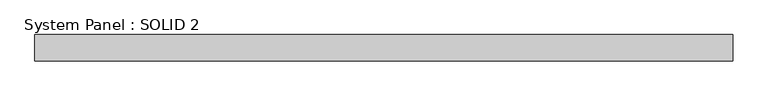
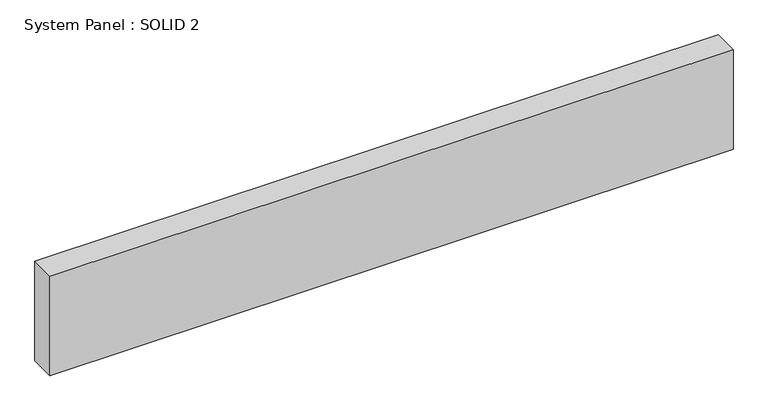
"""IFC4 building model written with IfcOpenShell, lengths in millimetres: plate geometry, System Panel : SOLID 2."""

import ifcopenshell
import ifcopenshell.guid

model = None  # the IFC model being written
_history = None  # IfcOwnerHistory: only IFC2X3 demands one
_inside = {}  # id of a spatial element -> (the spatial element, [elements in it])
_under = {}  # id of a project, library or spatial element -> (it, [spatial elements below it])
_declared = {}  # id of a project -> (the project, [libraries it declares])
_typed = {}  # id of a type object -> (the type object, [elements of that type])
_made_of = {}  # id of a material, layer set ... -> (it, [elements and type objects made of it])


def new_model(schema):
    """Start an empty IFC model of exactly this schema.

    Asked for "IFC4X3", IfcOpenShell would pick the latest addendum, in which some entities
    have other attributes; the version numbers below select the first issue.
    IFC2X3 requires an IfcOwnerHistory on every rooted entity: one is made here for all.
    """
    global model, _history
    if schema == "IFC4X3":
        model = ifcopenshell.file(schema_version=(4, 3, 0, 0))
    else:
        model = ifcopenshell.file(schema=schema)
    _inside.clear()
    _under.clear()
    _declared.clear()
    _typed.clear()
    _made_of.clear()
    _history = None
    if model.schema == "IFC2X3":
        org = make("IfcOrganization", Name="unknown")
        user = make(
            "IfcPersonAndOrganization",
            ThePerson=make("IfcPerson", FamilyName="unknown"),
            TheOrganization=org,
        )
        app = make(
            "IfcApplication",
            ApplicationDeveloper=org,
            Version="unknown",
            ApplicationFullName="unknown",
            ApplicationIdentifier="unknown",
        )
        _history = make(
            "IfcOwnerHistory",
            OwningUser=user,
            OwningApplication=app,
            ChangeAction="ADDED",
            CreationDate=0,
        )
    return model


def make(cls, **values):
    """One entity of the class cls with the attributes given. An attribute that is None is left unset."""
    return model.create_entity(
        cls, **{name: value for name, value in values.items() if value is not None}
    )


def rooted(cls, **values):
    """An entity with a GlobalId (a new one), such as an element, a storey or a relation."""
    return make(cls, GlobalId=ifcopenshell.guid.new(), OwnerHistory=_history, **values)


def si_unit(unit_type, name, prefix=None):
    """IfcSIUnit, for example si_unit("LENGTHUNIT", "METRE", prefix="MILLI")."""
    return make("IfcSIUnit", UnitType=unit_type, Prefix=prefix, Name=name)


def assignment(units):
    """IfcUnitAssignment: the units of a project."""
    return None if units is None else make("IfcUnitAssignment", Units=units)


def point(xyz):
    """IfcCartesianPoint."""
    return None if xyz is None else make("IfcCartesianPoint", Coordinates=xyz)


def direction(xyz):
    """IfcDirection."""
    return None if xyz is None else make("IfcDirection", DirectionRatios=xyz)


def frame(location, z_axis=None, x_axis=None):
    """IfcAxis2Placement3D, a coordinate frame: its origin and axes. An axis left out is left unset."""
    return make(
        "IfcAxis2Placement3D",
        Location=point(location),
        Axis=direction(z_axis),
        RefDirection=direction(x_axis),
    )


def origin():
    """The frame at (0, 0, 0) with its axes left unset."""
    return frame((0.0, 0.0, 0.0))


def origin_with_axes():
    """The frame at (0, 0, 0) with the z axis (0, 0, 1) and the x axis (1, 0, 0) written out."""
    return frame((0.0, 0.0, 0.0), z_axis=(0.0, 0.0, 1.0), x_axis=(1.0, 0.0, 0.0))


def place(relative_to, where):
    """IfcLocalPlacement: puts the frame where relative to a parent placement (None: the world)."""
    return make(
        "IfcLocalPlacement", PlacementRelTo=relative_to, RelativePlacement=where
    )


def context(
    kind, dimensions, precision=None, world=None, true_north=None, identifier=None
):
    """IfcGeometricRepresentationContext, for example the 3D "Model" context."""
    return make(
        "IfcGeometricRepresentationContext",
        ContextIdentifier=identifier,
        ContextType=kind,
        CoordinateSpaceDimension=dimensions,
        Precision=precision,
        WorldCoordinateSystem=world,
        TrueNorth=true_north,
    )


def project(units=None, contexts=None):
    """IfcProject with its units and contexts."""
    return rooted(
        "IfcProject",
        Name="project",
        RepresentationContexts=contexts,
        UnitsInContext=assignment(units),
    )


def spatial(cls, under=None, at=None, **own):
    """A site, building, storey or space (cls), placed at a placement, below another one or the project."""
    s = rooted(cls, ObjectPlacement=at, **own)
    if under is not None:
        _under.setdefault(under.id(), (under, []))[1].append(s)
    return s


def polyline(points):
    """IfcPolyline through the points."""
    return make("IfcPolyline", Points=[point(p) for p in points])


def outline(outer, holes=None, kind="AREA"):
    """IfcArbitraryClosedProfileDef: a profile drawn as a closed curve; with holes, ...WithVoids."""
    if holes is None:
        return make("IfcArbitraryClosedProfileDef", ProfileType=kind, OuterCurve=outer)
    return make(
        "IfcArbitraryProfileDefWithVoids",
        ProfileType=kind,
        OuterCurve=outer,
        InnerCurves=holes,
    )


def extrude(swept, where, along, depth):
    """IfcExtrudedAreaSolid: the profile swept, set in the frame where, extruded along a direction by depth."""
    return make(
        "IfcExtrudedAreaSolid",
        SweptArea=swept,
        Position=where,
        ExtrudedDirection=direction(along),
        Depth=depth,
    )


def shape(context_of_items, identifier, shape_type, items):
    """IfcShapeRepresentation: the items that make up one representation, for example the "Body"."""
    return make(
        "IfcShapeRepresentation",
        ContextOfItems=context_of_items,
        RepresentationIdentifier=identifier,
        RepresentationType=shape_type,
        Items=items,
    )


def source(mapping_origin, context_of_items, identifier, shape_type, items):
    """IfcRepresentationMap: a shape defined once, which mapped items show again and again."""
    return make(
        "IfcRepresentationMap",
        MappingOrigin=mapping_origin,
        MappedRepresentation=shape(context_of_items, identifier, shape_type, items),
    )


def transform(
    local_origin,
    x_axis=None,
    y_axis=None,
    z_axis=None,
    scale=None,
    scale2=None,
    scale3=None,
    uniform=True,
):
    """IfcCartesianTransformationOperator3D, or its non-uniform kind. x_axis, y_axis, z_axis: its Axis1, 2, 3."""
    if uniform:
        return make(
            "IfcCartesianTransformationOperator3D",
            Axis1=direction(x_axis),
            Axis2=direction(y_axis),
            LocalOrigin=point(local_origin),
            Scale=scale,
            Axis3=direction(z_axis),
        )
    return make(
        "IfcCartesianTransformationOperator3DnonUniform",
        Axis1=direction(x_axis),
        Axis2=direction(y_axis),
        LocalOrigin=point(local_origin),
        Scale=scale,
        Axis3=direction(z_axis),
        Scale2=scale2,
        Scale3=scale3,
    )


def mapped(mapping_source, mapping_target):
    """IfcMappedItem: shows the shape of a source again, moved by a transform."""
    return make(
        "IfcMappedItem", MappingSource=mapping_source, MappingTarget=mapping_target
    )


def made_of(thing, what):
    """Note that an element or type object is made of a material, layer set ...; save() writes the relation."""
    if what is not None:
        _made_of.setdefault(what.id(), (what, []))[1].append(thing)
    return thing


def element(
    cls,
    number,
    at=None,
    inside=None,
    cuts=None,
    type_object=None,
    material=None,
    context=None,
    identifier="Body",
    shape_type=None,
    held_by="IfcProductDefinitionShape",
    body=None,
    shapes=None,
    **own,
):
    """One element of the class cls, such as IfcWall. Its Tag is "e" and its number.

    at: its placement. inside: the storey or other place that contains it. cuts: it is an
    opening in that element (IfcRelVoidsElement). A single representation is given by context,
    identifier, shape_type and body (its items); several are given by shapes. held_by: the class
    of the entity that holds the representations. save() writes the other relations.
    """
    e = rooted(cls, Tag="e%d" % number, ObjectPlacement=at, **own)
    if body is not None:
        shapes = [shape(context, identifier, shape_type, body)]
    if shapes is not None:
        e.Representation = make(held_by, Representations=shapes)
    if inside is not None:
        _inside.setdefault(inside.id(), (inside, []))[1].append(e)
    if cuts is not None:
        rooted(
            "IfcRelVoidsElement", RelatingBuildingElement=cuts, RelatedOpeningElement=e
        )
    if type_object is not None:
        _typed.setdefault(type_object.id(), (type_object, []))[1].append(e)
    return made_of(e, material)


def aggregate(whole, parts):
    """IfcRelAggregates: a whole, such as a stair, and the parts it consists of."""
    return rooted("IfcRelAggregates", RelatingObject=whole, RelatedObjects=parts)


def save(model, path):
    """Write the relations noted so far, then the file.

    IfcRelAggregates (storeys below a building ...), IfcRelContainedInSpatialStructure (elements
    in a storey), IfcRelDefinesByType, IfcRelAssociatesMaterial and IfcRelDeclares: one each for
    every whole, place, type object, material and project.
    """
    for whole, parts in _under.values():
        aggregate(whole, parts)
    for where, things in _inside.values():
        rooted(
            "IfcRelContainedInSpatialStructure",
            RelatedElements=things,
            RelatingStructure=where,
        )
    for kind, things in _typed.values():
        rooted("IfcRelDefinesByType", RelatedObjects=things, RelatingType=kind)
    for what, things in _made_of.values():
        rooted("IfcRelAssociatesMaterial", RelatedObjects=things, RelatingMaterial=what)
    for by, libraries in _declared.values():
        rooted("IfcRelDeclares", RelatingContext=by, RelatedDefinitions=libraries)
    model.write(path)


def system_panel_solid_2_83583be8(model_context):
    return source(origin(), model_context, "Body", "SweptSolid", [
        extrude(outline(polyline([(1052.5, 80.0), (-1052.5, 80.0), (-1052.5, 160.0), (1052.5, 160.0), (1052.5, 80.0)])), origin_with_axes(), (0.0, 0.0, 1.0), 324.3333333),
    ])


if __name__ == "__main__":
    model = new_model("IFC4")
    model_context = context("Model", 3, world=origin())
    ifc_project = project(units=[si_unit("LENGTHUNIT", "METRE", prefix="MILLI")], contexts=[model_context])
    site = spatial("IfcSite", under=ifc_project)
    building = spatial("IfcBuilding", under=site)
    placement = place(None, origin())
    system_panel_solid_2_shape = system_panel_solid_2_83583be8(model_context)
    element("IfcPlate", 1, ObjectType="System Panel : SOLID 2", at=placement, inside=building, context=model_context, shape_type="MappedRepresentation", body=[
        mapped(system_panel_solid_2_shape, transform((0.0, 0.0, 0.0), x_axis=(1.0, 0.0, 0.0), y_axis=(0.0, 1.0, 0.0), z_axis=(0.0, 0.0, 1.0))),
    ])
    save(model, "model.ifc")
